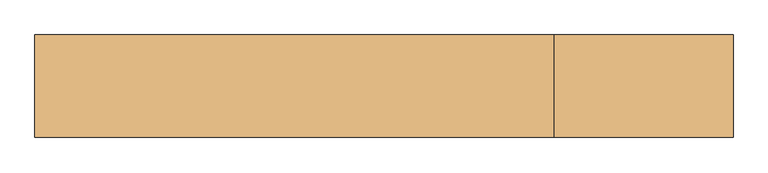
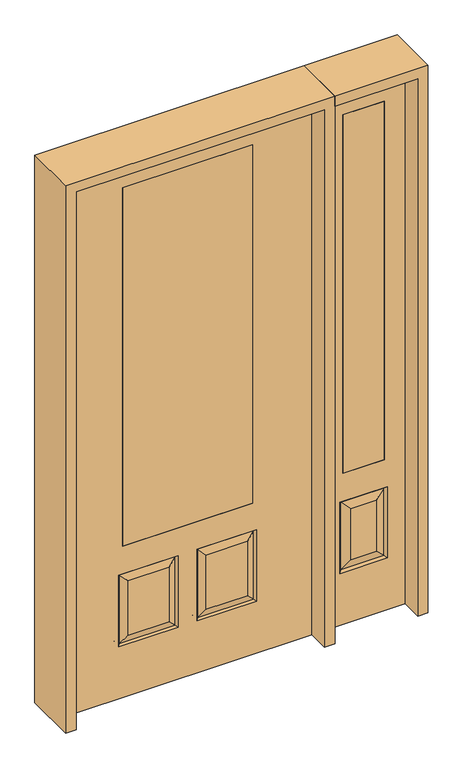
"""IFC4 building model written with IfcOpenShell, lengths in millimetres: door geometry."""

from ifc_helpers import new_model, si_unit, frame, origin, place, context, project, spatial, polyline, outline, extrude, faceted_brep, source, transform, mapped, element, save


def door_3be9c41b(model_context):
    return source(origin(), model_context, "Body", "SolidModel", [
        extrude(outline(polyline([(666.75, -20.6375), (666.75, 20.6375), (844.55, 20.6375), (844.55, -20.6375), (666.75, -20.6375)])), frame((0.0, 0.0, 685.8), z_axis=(0.0, 0.0, 1.0), x_axis=(1.0, 0.0, 0.0)), (0.0, 0.0, 1.0), 1625.6),
        faceted_brep([(933.45, -20.6375, 0.0), (933.45, -20.6375, 2438.4), (577.85, -20.6375, 2438.4), (577.85, -20.6375, 0.0), (654.05, -20.6375, 234.95), (654.05, -20.6375, 558.8), (857.25, -20.6375, 558.8), (857.25, -20.6375, 234.95), (666.75, -20.6375, 685.8), (666.75, -20.6375, 2311.4), (844.55, -20.6375, 2311.4), (844.55, -20.6375, 685.8), (811.2125, -20.6375, 280.9875), (811.2125, -20.6375, 512.7625), (700.0875, -20.6375, 512.7625), (700.0875, -20.6375, 280.9875), (577.85, 20.6375, 0.0), (933.45, 20.6375, 0.0), (577.85, 20.6375, 2438.4), (933.45, 20.6375, 2438.4), (663.0302561, -11.6572439, 243.9302561), (848.2697439, -11.6572439, 243.9302561), (848.2697439, -11.6572439, 549.8197439), (663.0302561, -11.6572439, 549.8197439), (857.25, 20.6375, 234.95), (857.25, 20.6375, 558.8), (654.05, 20.6375, 558.8), (654.05, 20.6375, 234.95), (844.55, 20.6375, 685.8), (844.55, 20.6375, 2311.4), (666.75, 20.6375, 2311.4), (666.75, 20.6375, 685.8), (700.0875, 20.6375, 280.9875), (700.0875, 20.6375, 512.7625), (811.2125, 20.6375, 512.7625), (811.2125, 20.6375, 280.9875), (663.0302561, 11.6572439, 243.9302561), (848.2697439, 11.6572439, 243.9302561), (663.0302561, 11.6572439, 549.8197439), (848.2697439, 11.6572439, 549.8197439)], [[[0, 1, 2, 3], [4, 5, 6, 7], [8, 9, 10, 11]], [[12, 13, 14, 15]], [[3, 16, 17, 0]], [[2, 18, 16, 3]], [[0, 17, 19, 1]], [[20, 4, 7, 21]], [[7, 6, 22, 21]], [[6, 5, 23, 22]], [[20, 23, 5, 4]], [[21, 12, 15, 20]], [[15, 14, 23, 20]], [[22, 23, 14, 13]], [[21, 22, 13, 12]], [[17, 16, 18, 19], [24, 25, 26, 27], [28, 29, 30, 31]], [[32, 33, 34, 35]], [[24, 27, 36, 37]], [[27, 26, 38, 36]], [[39, 38, 26, 25]], [[37, 39, 25, 24]], [[36, 32, 35, 37]], [[35, 34, 39, 37]], [[34, 33, 38, 39]], [[36, 38, 33, 32]], [[1, 19, 18, 2]], [[8, 11, 28, 31]], [[11, 10, 29, 28]], [[31, 30, 9, 8]], [[30, 29, 10, 9]]]),
        faceted_brep([(279.4, 20.6375, 685.8), (279.4, -20.6375, 685.8), (279.4, -20.6375, 2311.4), (279.4, 20.6375, 2311.4), (-279.4, 20.6375, 685.8), (-279.4, -20.6375, 685.8), (-80.1727627, 20.6375, 273.8477627), (-256.3772373, 20.6375, 273.8477627), (-256.3772373, 20.6375, 520.4102373), (-80.1727627, 20.6375, 520.4102373), (256.3772373, 20.6375, 273.8477627), (80.1727627, 20.6375, 273.8477627), (80.1727627, 20.6375, 520.4102373), (256.3772373, 20.6375, 520.4102373), (-533.4, 20.6375, 2438.4), (533.4, 20.6375, 2438.4), (533.4, 20.6375, 0.0), (-533.4, 20.6375, 0.0), (-279.4, 20.6375, 2311.4), (-295.275, 20.6375, 234.95), (-41.275, 20.6375, 234.95), (-41.275, 20.6375, 559.308), (-295.275, 20.6375, 559.308), (41.275, 20.6375, 234.95), (295.275, 20.6375, 234.95), (295.275, 20.6375, 559.308), (41.275, 20.6375, 559.308), (-279.4, -20.6375, 2311.4), (80.1727627, -20.6375, 273.8477627), (256.3772373, -20.6375, 273.8477627), (256.3772373, -20.6375, 520.4102373), (80.1727627, -20.6375, 520.4102373), (-256.3772373, -20.6375, 273.8477627), (-80.1727627, -20.6375, 273.8477627), (-80.1727627, -20.6375, 520.4102373), (-256.3772373, -20.6375, 520.4102373), (533.4, -20.6375, 2438.4), (-533.4, -20.6375, 2438.4), (-533.4, -20.6375, 0.0), (533.4, -20.6375, 0.0), (295.275, -20.6375, 234.95), (41.275, -20.6375, 234.95), (41.275, -20.6375, 559.308), (295.275, -20.6375, 559.308), (-41.275, -20.6375, 234.95), (-295.275, -20.6375, 234.95), (-295.275, -20.6375, 559.308), (-41.275, -20.6375, 559.308), (-287.8714647, 11.4399763, 242.3535353), (-48.6785353, 11.4399763, 242.3535353), (-48.6785353, 11.4399763, 551.9044647), (-287.8714647, 11.4399763, 551.9044647), (48.6785353, 11.4399763, 242.3535353), (287.8714647, 11.4399763, 242.3535353), (287.8714647, 11.4399763, 551.9044647), (48.6785353, 11.4399763, 551.9044647), (287.8714647, -11.4399763, 242.3535353), (48.6785353, -11.4399763, 242.3535353), (48.6785353, -11.4399763, 551.9044647), (287.8714647, -11.4399763, 551.9044647), (-48.6785353, -11.4399763, 242.3535353), (-287.8714647, -11.4399763, 242.3535353), (-287.8714647, -11.4399763, 551.9044647), (-48.6785353, -11.4399763, 551.9044647)], [[[0, 1, 2, 3]], [[1, 0, 4, 5]], [[6, 7, 8, 9]], [[10, 11, 12, 13]], [[14, 15, 16, 17], [4, 0, 3, 18], [19, 20, 21, 22], [23, 24, 25, 26]], [[5, 4, 18, 27]], [[28, 29, 30, 31]], [[32, 33, 34, 35]], [[36, 37, 38, 39], [1, 5, 27, 2], [40, 41, 42, 43], [44, 45, 46, 47]], [[39, 38, 17, 16]], [[37, 14, 17, 38]], [[15, 36, 39, 16]], [[19, 48, 49, 20]], [[20, 49, 50, 21]], [[51, 22, 21, 50]], [[48, 19, 22, 51]], [[49, 48, 7, 6]], [[7, 48, 51, 8]], [[8, 51, 50, 9]], [[49, 6, 9, 50]], [[52, 53, 24, 23]], [[24, 53, 54, 25]], [[25, 54, 55, 26]], [[52, 23, 26, 55]], [[53, 52, 11, 10]], [[11, 52, 55, 12]], [[54, 13, 12, 55]], [[53, 10, 13, 54]], [[40, 56, 57, 41]], [[41, 57, 58, 42]], [[59, 43, 42, 58]], [[56, 40, 43, 59]], [[57, 56, 29, 28]], [[29, 56, 59, 30]], [[30, 59, 58, 31]], [[57, 28, 31, 58]], [[60, 61, 45, 44]], [[45, 61, 62, 46]], [[46, 62, 63, 47]], [[60, 44, 47, 63]], [[61, 60, 33, 32]], [[33, 60, 63, 34]], [[62, 35, 34, 63]], [[61, 32, 35, 62]], [[3, 2, 27, 18]], [[36, 15, 14, 37]]]),
        extrude(outline(polyline([(279.4, -20.6375), (-279.4, -20.6375), (-279.4, 20.6375), (279.4, 20.6375), (279.4, -20.6375)])), frame((0.0, 0.0, 685.8), z_axis=(0.0, 0.0, 1.0), x_axis=(1.0, 0.0, 0.0)), (0.0, 0.0, 1.0), 1625.6),
        extrude(outline(polyline([(2482.85, -577.85), (0.0, -577.85), (0.0, -533.4), (2438.4, -533.4), (2438.4, 533.4), (0.0, 533.4), (0.0, 577.85), (2482.85, 577.85), (2482.85, -577.85)])), frame((0.0, -114.3, 0.0), z_axis=(0.0, 1.0, 0.0), x_axis=(0.0, 0.0, 1.0)), (0.0, 0.0, 1.0), 228.6),
        extrude(outline(polyline([(0.0, 933.45), (0.0, 977.9), (2482.85, 977.9), (2482.85, 577.85), (2438.4, 577.85), (2438.4, 933.45), (0.0, 933.45)])), frame((0.0, -114.3, 0.0), z_axis=(0.0, 1.0, 0.0), x_axis=(0.0, 0.0, 1.0)), (0.0, 0.0, 1.0), 228.6),
    ])


if __name__ == "__main__":
    model = new_model("IFC4")
    model_context = context("Model", 3, world=origin())
    ifc_project = project(units=[si_unit("LENGTHUNIT", "METRE", prefix="MILLI")], contexts=[model_context])
    site = spatial("IfcSite", under=ifc_project)
    building = spatial("IfcBuilding", under=site)
    placement = place(None, origin())
    door_shape = door_3be9c41b(model_context)
    element("IfcDoor", 1, at=placement, inside=building, context=model_context, shape_type="MappedRepresentation", body=[
        mapped(door_shape, transform((0.0, 0.0, 0.0), x_axis=(1.0, 0.0, 0.0), y_axis=(0.0, 1.0, 0.0), z_axis=(0.0, 0.0, 1.0))),
    ])
    save(model, "model.ifc")
